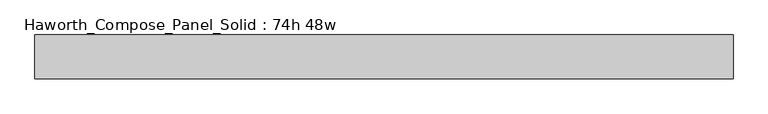
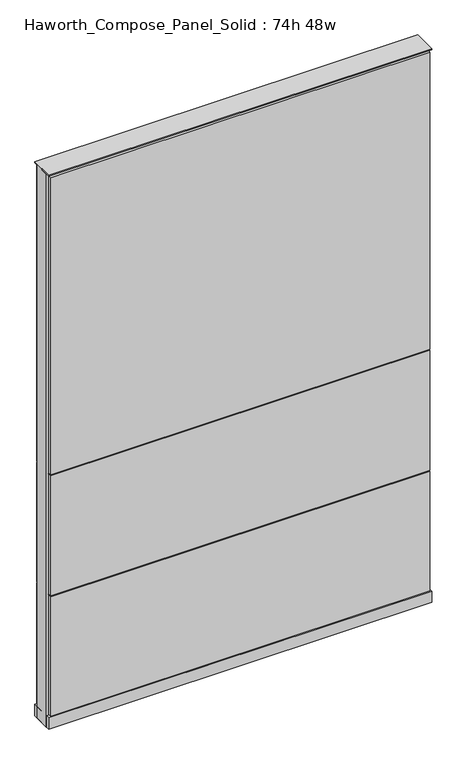
"""IFC4 building model written with IfcOpenShell, lengths in millimetres: furniture geometry, Haworth_Compose_Panel_Solid : 74h 48w."""

from ifc_helpers import new_model, si_unit, point, frame, frame_2d, origin, origin_with_axes, place, context, project, spatial, polyline, circle_curve, trimmed, segment, composite_curve, outline, extrude, source, transform, mapped, element, save


def haworth_compose_panel_solid_74h_48w_e2aed0b6(model_context):
    return source(origin(), model_context, "Body", "SweptSolid", [
        extrude(outline(composite_curve([segment(trimmed(circle_curve(frame_2d((-530.9597098, 0.0)), 12.7), [point((-543.6597098, 0.0))], [point((-518.2597098, 0.0))], False, "CARTESIAN"), True, "CONTINUOUS"), segment(trimmed(circle_curve(frame_2d((-530.9597098, 0.0)), 12.7), [point((-518.2597098, 0.0))], [point((-543.6597098, 0.0))], False, "CARTESIAN"), True, "CONTINUOUS")], self_intersect=False)), origin_with_axes(), (0.0, 0.0, 1.0), 12.7),
        extrude(outline(composite_curve([segment(trimmed(circle_curve(frame_2d((535.8402902, 0.0)), 12.7), [point((523.1402902, 0.0))], [point((548.5402902, 0.0))], False, "CARTESIAN"), True, "CONTINUOUS"), segment(trimmed(circle_curve(frame_2d((535.8402902, 0.0)), 12.7), [point((548.5402902, 0.0))], [point((523.1402902, 0.0))], False, "CARTESIAN"), True, "CONTINUOUS")], self_intersect=False)), origin_with_axes(), (0.0, 0.0, 1.0), 12.7),
        extrude(outline(polyline([(605.6902902, 38.1), (605.6902902, 25.4), (-600.8097098, 25.4), (-600.8097098, 38.1), (605.6902902, 38.1)])), frame((0.0, 0.0, 866.775), z_axis=(0.0, 0.0, 1.0), x_axis=(1.0, 0.0, 0.0)), (0.0, 0.0, 1.0), 1000.125),
        extrude(outline(polyline([(605.6902902, 38.1), (605.6902902, 25.4), (-600.8097098, 25.4), (-600.8097098, 38.1), (605.6902902, 38.1)])), frame((0.0, 0.0, 460.375), z_axis=(0.0, 0.0, 1.0), x_axis=(1.0, 0.0, 0.0)), (0.0, 0.0, 1.0), 403.225),
        extrude(outline(polyline([(605.6902902, 38.1), (605.6902902, 25.4), (-600.8097098, 25.4), (-600.8097098, 38.1), (605.6902902, 38.1)])), frame((0.0, 0.0, 53.975), z_axis=(0.0, 0.0, 1.0), x_axis=(1.0, 0.0, 0.0)), (0.0, 0.0, 1.0), 403.225),
        extrude(outline(polyline([(605.6902902, -38.1), (-600.8097098, -38.1), (-600.8097098, -25.4), (605.6902902, -25.4), (605.6902902, -38.1)])), frame((0.0, 0.0, 866.775), z_axis=(0.0, 0.0, 1.0), x_axis=(1.0, 0.0, 0.0)), (0.0, 0.0, 1.0), 1000.125),
        extrude(outline(polyline([(605.6902902, -38.1), (-600.8097098, -38.1), (-600.8097098, -25.4), (605.6902902, -25.4), (605.6902902, -38.1)])), frame((0.0, 0.0, 460.375), z_axis=(0.0, 0.0, 1.0), x_axis=(1.0, 0.0, 0.0)), (0.0, 0.0, 1.0), 403.225),
        extrude(outline(polyline([(605.6902902, -38.1), (-600.8097098, -38.1), (-600.8097098, -25.4), (605.6902902, -25.4), (605.6902902, -38.1)])), frame((0.0, 0.0, 53.975), z_axis=(0.0, 0.0, 1.0), x_axis=(1.0, 0.0, 0.0)), (0.0, 0.0, 1.0), 403.225),
        extrude(outline(polyline([(612.0402902, 25.4), (612.0402902, -25.4), (-607.1597098, -25.4), (-607.1597098, 25.4), (612.0402902, 25.4)])), frame((0.0, 0.0, 12.7), z_axis=(0.0, 0.0, 1.0), x_axis=(1.0, 0.0, 0.0)), (0.0, 0.0, 1.0), 1860.55),
        extrude(outline(polyline([(-607.1597098, -38.1), (-607.1597098, 38.1), (612.0402902, 38.1), (612.0402902, -38.1), (-607.1597098, -38.1)])), frame((0.0, 0.0, 12.7), z_axis=(0.0, 0.0, 1.0), x_axis=(1.0, 0.0, 0.0)), (0.0, 0.0, 1.0), 38.1),
        extrude(outline(polyline([(-607.1597098, -38.1), (-607.1597098, 38.1), (612.0402902, 38.1), (612.0402902, -38.1), (-607.1597098, -38.1)])), frame((0.0, 0.0, 1873.25), z_axis=(0.0, 0.0, 1.0), x_axis=(1.0, 0.0, 0.0)), (0.0, 0.0, 1.0), 3.175),
    ])


if __name__ == "__main__":
    model = new_model("IFC4")
    model_context = context("Model", 3, world=origin())
    ifc_project = project(units=[si_unit("LENGTHUNIT", "METRE", prefix="MILLI")], contexts=[model_context])
    site = spatial("IfcSite", under=ifc_project)
    building = spatial("IfcBuilding", under=site)
    placement = place(None, origin())
    haworth_compose_panel_solid_74h_48w_shape = haworth_compose_panel_solid_74h_48w_e2aed0b6(model_context)
    element("IfcFurniture", 1, ObjectType="Haworth_Compose_Panel_Solid : 74h 48w", at=placement, inside=building, context=model_context, shape_type="MappedRepresentation", body=[
        mapped(haworth_compose_panel_solid_74h_48w_shape, transform((0.0, 0.0, 0.0), x_axis=(1.0, 0.0, 0.0), y_axis=(0.0, 1.0, 0.0), z_axis=(0.0, 0.0, 1.0))),
    ])
    save(model, "model.ifc")
